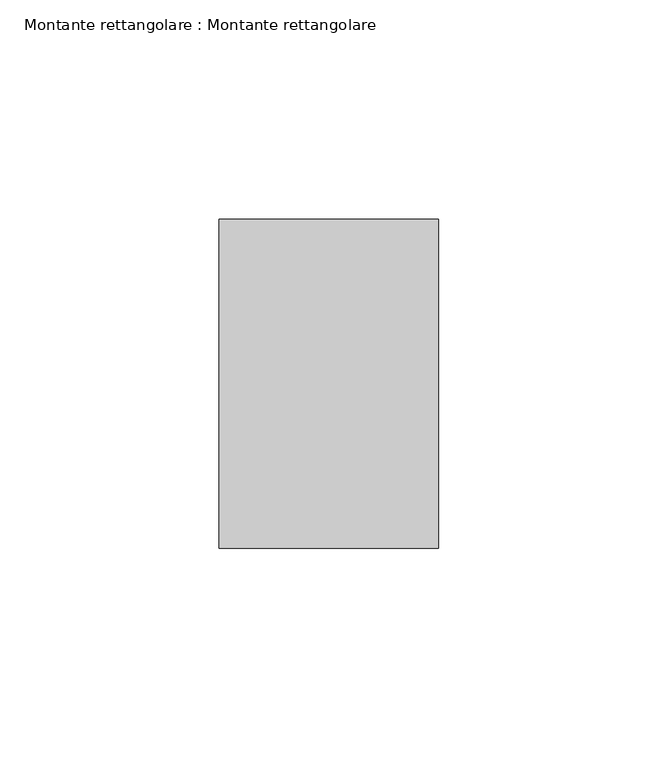
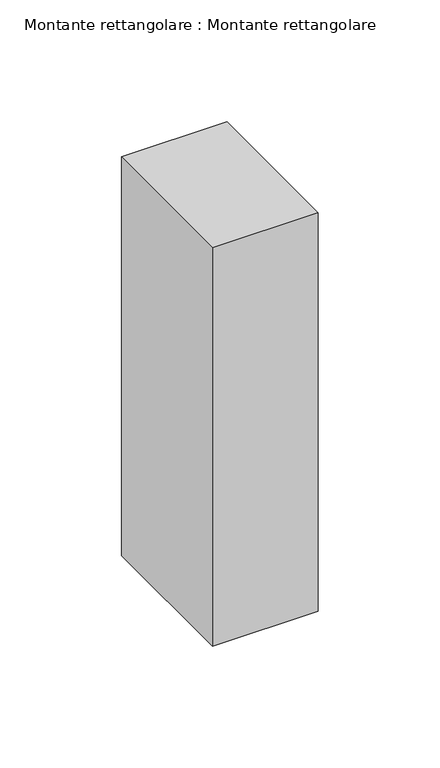
"""IFC4 building model written with IfcOpenShell, lengths in millimetres: member geometry, Montante rettangolare : Montante rettangolare."""

from ifc_helpers import new_model, si_unit, frame, origin, place, context, project, spatial, polyline, outline, extrude, source, transform, mapped, element, save


def montante_rettangolare_montante_rettangolare_ac58f394(model_context):
    return source(origin(), model_context, "Body", "SweptSolid", [
        extrude(outline(polyline([(-37.5, -0.1164835), (37.5, 0.1164835), (37.5, -200.0152232), (-37.5, -200.0152232), (-37.5, -0.1164835)])), frame((-25.0, 0.0, 0.0), z_axis=(1.0, 0.0, 0.0), x_axis=(0.0, 1.0, 0.0)), (0.0, 0.0, 1.0), 50.0),
    ])


if __name__ == "__main__":
    model = new_model("IFC4")
    model_context = context("Model", 3, world=origin())
    ifc_project = project(units=[si_unit("LENGTHUNIT", "METRE", prefix="MILLI")], contexts=[model_context])
    site = spatial("IfcSite", under=ifc_project)
    building = spatial("IfcBuilding", under=site)
    placement = place(None, origin())
    montante_rettangolare_montante_rettangolare_shape = montante_rettangolare_montante_rettangolare_ac58f394(model_context)
    element("IfcMember", 1, ObjectType="Montante rettangolare : Montante rettangolare", at=placement, inside=building, context=model_context, shape_type="MappedRepresentation", body=[
        mapped(montante_rettangolare_montante_rettangolare_shape, transform((0.0, 0.0, 0.0), x_axis=(1.0, 0.0, 0.0), y_axis=(0.0, 1.0, 0.0), z_axis=(0.0, 0.0, 1.0))),
    ])
    save(model, "model.ifc")
